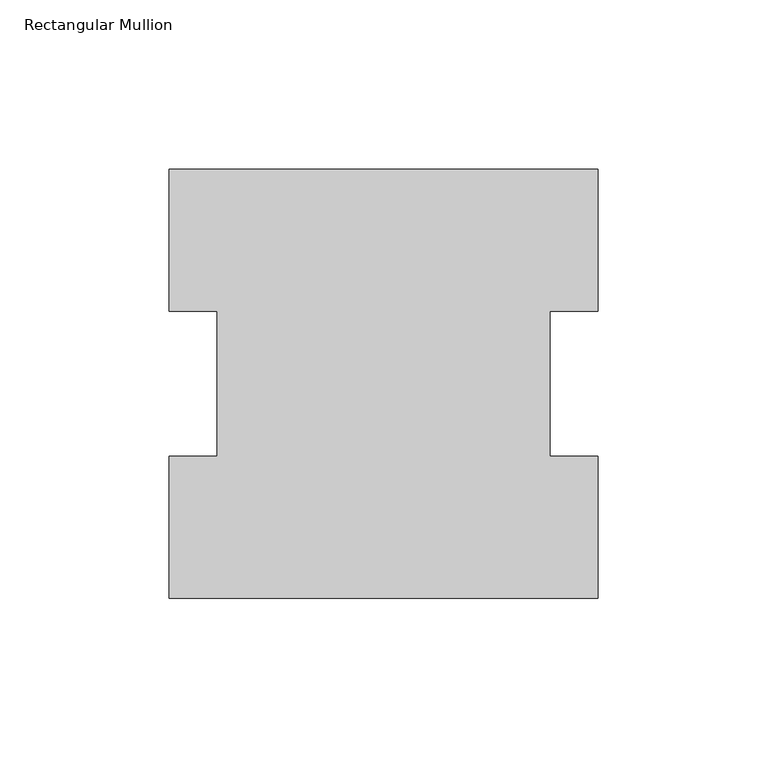
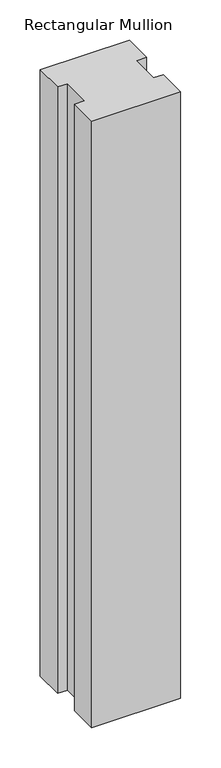
"""IFC4 building model written with IfcOpenShell, lengths in millimetres: member geometry, Rectangular Mullion."""

from ifc_helpers import new_model, si_unit, frame, origin, place, context, project, spatial, polyline, outline, extrude, source, transform, mapped, element, save


def rectangular_mullion_68c6c0d7(model_context):
    return source(origin(), model_context, "Body", "SweptSolid", [
        extrude(outline(polyline([(-63.5, 127.00635), (63.5, 127.00635), (63.5, 84.93125), (49.2125, 84.93125), (49.2125, 42.08145), (63.5, 42.08145), (63.5, 0.00635), (-63.5, 0.00635), (-63.5, 42.08145), (-49.2125, 42.08145), (-49.2125, 84.93125), (-63.5, 84.93125), (-63.5, 127.00635)])), frame((0.0, 0.0, -914.4), z_axis=(0.0, 0.0, 1.0), x_axis=(1.0, 0.0, 0.0)), (0.0, 0.0, 1.0), 914.4),
    ])


if __name__ == "__main__":
    model = new_model("IFC4")
    model_context = context("Model", 3, world=origin())
    ifc_project = project(units=[si_unit("LENGTHUNIT", "METRE", prefix="MILLI")], contexts=[model_context])
    site = spatial("IfcSite", under=ifc_project)
    building = spatial("IfcBuilding", under=site)
    placement = place(None, origin())
    rectangular_mullion_shape = rectangular_mullion_68c6c0d7(model_context)
    element("IfcMember", 1, ObjectType="Rectangular Mullion", at=placement, inside=building, context=model_context, shape_type="MappedRepresentation", body=[
        mapped(rectangular_mullion_shape, transform((0.0, 0.0, 0.0), x_axis=(1.0, 0.0, 0.0), y_axis=(0.0, 1.0, 0.0), z_axis=(0.0, 0.0, 1.0))),
    ])
    save(model, "model.ifc")
